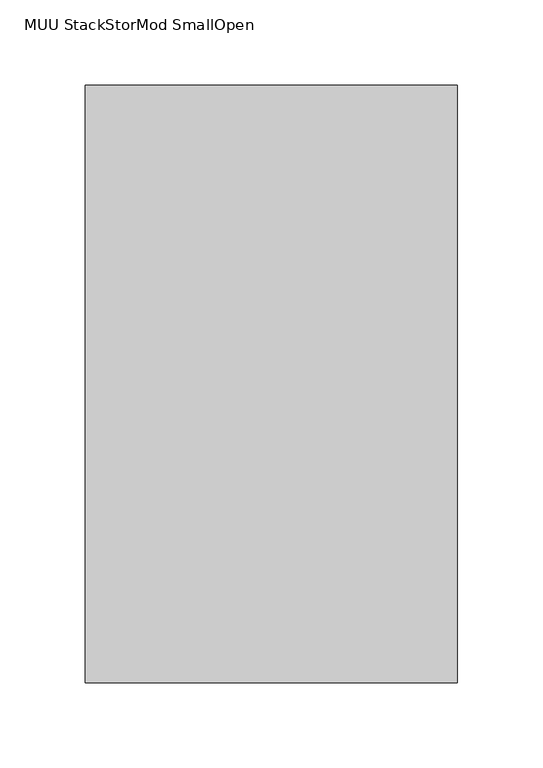
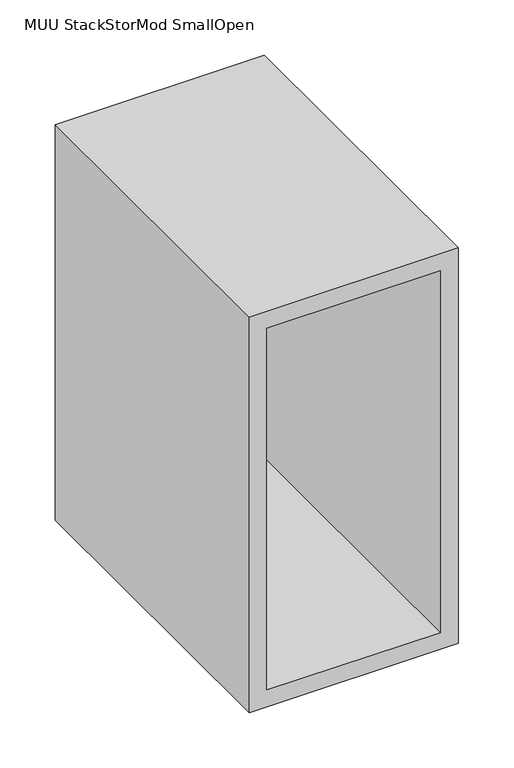
"""IFC4 building model written with IfcOpenShell, lengths in millimetres: furniture geometry, MUU StackStorMod SmallOpen."""

from ifc_helpers import new_model, si_unit, frame, origin, place, context, project, spatial, polyline, outline, extrude, source, transform, mapped, element, save


def muu_stackstormod_smallopen_47dcf5a9(model_context):
    return source(origin(), model_context, "Body", "SweptSolid", [
        extrude(outline(polyline([(435.9999859, 217.932), (435.9999859, 0.0), (0.0, 0.0), (0.0, 217.932), (435.9999859, 217.932)]), holes=[polyline([(18.4999995, 18.4999995), (417.4999887, 18.4999995), (417.4999887, 199.4320391), (18.4999995, 199.4320391), (18.4999995, 18.4999995)])]), frame((0.0, -350.0000027, 0.0), z_axis=(0.0, 1.0, 0.0), x_axis=(0.0, 0.0, 1.0)), (0.0, 0.0, 1.0), 350.0000027),
    ])


if __name__ == "__main__":
    model = new_model("IFC4")
    model_context = context("Model", 3, world=origin())
    ifc_project = project(units=[si_unit("LENGTHUNIT", "METRE", prefix="MILLI")], contexts=[model_context])
    site = spatial("IfcSite", under=ifc_project)
    building = spatial("IfcBuilding", under=site)
    placement = place(None, origin())
    muu_stackstormod_smallopen_shape = muu_stackstormod_smallopen_47dcf5a9(model_context)
    element("IfcFurniture", 1, ObjectType="MUU StackStorMod SmallOpen", at=placement, inside=building, context=model_context, shape_type="MappedRepresentation", body=[
        mapped(muu_stackstormod_smallopen_shape, transform((0.0, 0.0, 0.0), x_axis=(1.0, 0.0, 0.0), y_axis=(0.0, 1.0, 0.0), z_axis=(0.0, 0.0, 1.0))),
    ])
    save(model, "model.ifc")
